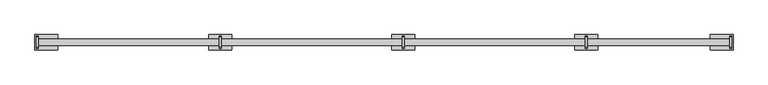
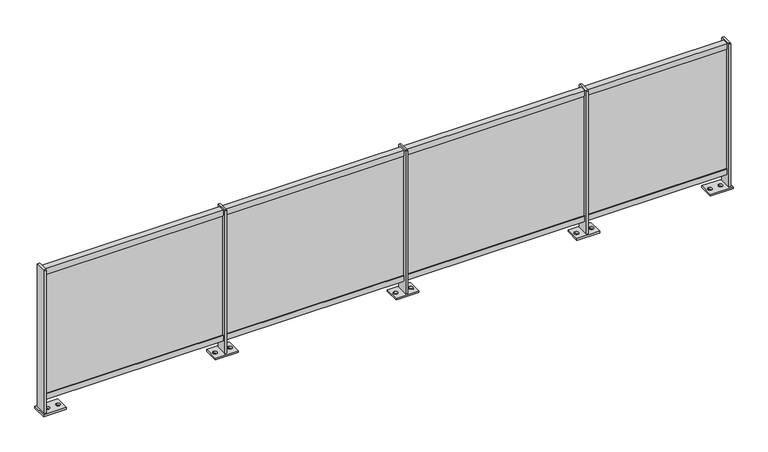
"""IFC4 building model written with IfcOpenShell, lengths in millimetres: railing geometry."""

from ifc_helpers import new_model, si_unit, point, frame, frame_2d, origin, origin_with_axes, place, context, project, spatial, polyline, circle_curve, trimmed, segment, composite_curve, outline, extrude, source, transform, mapped, element, save


def railing_a5e919da(model_context):
    return source(origin(), model_context, "Body", "SweptSolid", [
        extrude(outline(polyline([(-13156.9105687, 1010.0), (-13156.9105687, 970.0), (-13178.4105687, 970.0), (-13178.4105687, 990.0), (-13194.4105687, 990.0), (-13194.4105687, 970.0), (-13196.9105687, 970.0), (-13196.9105687, 1010.0), (-13156.9105687, 1010.0)])), frame((9914.6479588, 0.0, 0.0), z_axis=(1.0, 0.0, 0.0), x_axis=(0.0, 1.0, 0.0)), (0.0, 0.0, 1.0), 4546.0),
        extrude(outline(polyline([(9914.6479588, -13190.9105687), (9914.6479588, -13182.9105687), (14460.6479588, -13182.9105687), (14460.6479588, -13190.9105687), (9914.6479588, -13190.9105687)])), frame((0.0, 0.0, 130.0), z_axis=(0.0, 0.0, 1.0), x_axis=(1.0, 0.0, 0.0)), (0.0, 0.0, 1.0), 840.0),
        extrude(outline(polyline([(-13156.9105687, 90.0), (-13196.9105687, 90.0), (-13196.9105687, 130.0), (-13194.4105687, 130.0), (-13194.4105687, 110.0), (-13178.4105687, 110.0), (-13178.4105687, 130.0), (-13156.9105687, 130.0), (-13156.9105687, 90.0)])), frame((9914.6479588, 0.0, 0.0), z_axis=(1.0, 0.0, 0.0), x_axis=(0.0, 1.0, 0.0)), (0.0, 0.0, 1.0), 4546.0),
        extrude(outline(polyline([(-13136.9105687, 12.0), (-13216.9105687, 12.0), (-13216.9105687, 1015.0), (-13211.9105687, 1020.0), (-13141.9105687, 1020.0), (-13136.9105687, 1015.0), (-13136.9105687, 12.0)])), frame((13508.6479588, 0.0, 0.0), z_axis=(1.0, 0.0, 0.0), x_axis=(0.0, 1.0, 0.0)), (0.0, 0.0, 1.0), 12.0),
        extrude(outline(polyline([(13439.6479588, -13126.9105687), (13589.6479588, -13126.9105687), (13589.6479588, -13226.9105687), (13439.6479588, -13226.9105687), (13439.6479588, -13126.9105687)]), holes=[composite_curve([segment(trimmed(circle_curve(frame_2d((13464.6479588, -13176.9105687)), 13.5), [point((13464.6479588, -13190.4105687))], [point((13464.6479588, -13163.4105687))], True, "CARTESIAN"), True, "CONTINUOUS"), segment(trimmed(circle_curve(frame_2d((13464.6479588, -13176.9105687)), 13.5), [point((13464.6479588, -13163.4105687))], [point((13464.6479588, -13190.4105687))], True, "CARTESIAN"), True, "CONTINUOUS")], self_intersect=False), composite_curve([segment(trimmed(circle_curve(frame_2d((13564.6479588, -13176.9105687)), 13.5), [point((13564.6479588, -13190.4105687))], [point((13564.6479588, -13163.4105687))], True, "CARTESIAN"), True, "CONTINUOUS"), segment(trimmed(circle_curve(frame_2d((13564.6479588, -13176.9105687)), 13.5), [point((13564.6479588, -13163.4105687))], [point((13564.6479588, -13190.4105687))], True, "CARTESIAN"), True, "CONTINUOUS")], self_intersect=False)]), origin_with_axes(), (0.0, 0.0, 1.0), 12.0),
        extrude(outline(polyline([(-13136.9105687, 12.0), (-13216.9105687, 12.0), (-13216.9105687, 1015.0), (-13211.9105687, 1020.0), (-13141.9105687, 1020.0), (-13136.9105687, 1015.0), (-13136.9105687, 12.0)])), frame((12308.6479588, 0.0, 0.0), z_axis=(1.0, 0.0, 0.0), x_axis=(0.0, 1.0, 0.0)), (0.0, 0.0, 1.0), 12.0),
        extrude(outline(polyline([(12239.6479588, -13126.9105687), (12389.6479588, -13126.9105687), (12389.6479588, -13226.9105687), (12239.6479588, -13226.9105687), (12239.6479588, -13126.9105687)]), holes=[composite_curve([segment(trimmed(circle_curve(frame_2d((12264.6479588, -13176.9105687)), 13.5), [point((12264.6479588, -13190.4105687))], [point((12264.6479588, -13163.4105687))], True, "CARTESIAN"), True, "CONTINUOUS"), segment(trimmed(circle_curve(frame_2d((12264.6479588, -13176.9105687)), 13.5), [point((12264.6479588, -13163.4105687))], [point((12264.6479588, -13190.4105687))], True, "CARTESIAN"), True, "CONTINUOUS")], self_intersect=False), composite_curve([segment(trimmed(circle_curve(frame_2d((12364.6479588, -13176.9105687)), 13.5), [point((12364.6479588, -13190.4105687))], [point((12364.6479588, -13163.4105687))], True, "CARTESIAN"), True, "CONTINUOUS"), segment(trimmed(circle_curve(frame_2d((12364.6479588, -13176.9105687)), 13.5), [point((12364.6479588, -13163.4105687))], [point((12364.6479588, -13190.4105687))], True, "CARTESIAN"), True, "CONTINUOUS")], self_intersect=False)]), origin_with_axes(), (0.0, 0.0, 1.0), 12.0),
        extrude(outline(polyline([(-13136.9105687, 12.0), (-13216.9105687, 12.0), (-13216.9105687, 1015.0), (-13211.9105687, 1020.0), (-13141.9105687, 1020.0), (-13136.9105687, 1015.0), (-13136.9105687, 12.0)])), frame((11108.6479588, 0.0, 0.0), z_axis=(1.0, 0.0, 0.0), x_axis=(0.0, 1.0, 0.0)), (0.0, 0.0, 1.0), 12.0),
        extrude(outline(polyline([(11039.6479588, -13126.9105687), (11189.6479588, -13126.9105687), (11189.6479588, -13226.9105687), (11039.6479588, -13226.9105687), (11039.6479588, -13126.9105687)]), holes=[composite_curve([segment(trimmed(circle_curve(frame_2d((11064.6479588, -13176.9105687)), 13.5), [point((11064.6479588, -13190.4105687))], [point((11064.6479588, -13163.4105687))], True, "CARTESIAN"), True, "CONTINUOUS"), segment(trimmed(circle_curve(frame_2d((11064.6479588, -13176.9105687)), 13.5), [point((11064.6479588, -13163.4105687))], [point((11064.6479588, -13190.4105687))], True, "CARTESIAN"), True, "CONTINUOUS")], self_intersect=False), composite_curve([segment(trimmed(circle_curve(frame_2d((11164.6479588, -13176.9105687)), 13.5), [point((11164.6479588, -13190.4105687))], [point((11164.6479588, -13163.4105687))], True, "CARTESIAN"), True, "CONTINUOUS"), segment(trimmed(circle_curve(frame_2d((11164.6479588, -13176.9105687)), 13.5), [point((11164.6479588, -13163.4105687))], [point((11164.6479588, -13190.4105687))], True, "CARTESIAN"), True, "CONTINUOUS")], self_intersect=False)]), origin_with_axes(), (0.0, 0.0, 1.0), 12.0),
        extrude(outline(polyline([(-13136.9105687, 12.0), (-13216.9105687, 12.0), (-13216.9105687, 1015.0), (-13211.9105687, 1020.0), (-13141.9105687, 1020.0), (-13136.9105687, 1015.0), (-13136.9105687, 12.0)])), frame((14454.6479588, 0.0, 0.0), z_axis=(1.0, 0.0, 0.0), x_axis=(0.0, 1.0, 0.0)), (0.0, 0.0, 1.0), 12.0),
        extrude(outline(polyline([(14326.6479588, -13126.9105687), (14476.6479588, -13126.9105687), (14476.6479588, -13226.9105687), (14326.6479588, -13226.9105687), (14326.6479588, -13126.9105687)]), holes=[composite_curve([segment(trimmed(circle_curve(frame_2d((14351.6479588, -13176.9105687)), 13.5), [point((14351.6479588, -13190.4105687))], [point((14351.6479588, -13163.4105687))], True, "CARTESIAN"), True, "CONTINUOUS"), segment(trimmed(circle_curve(frame_2d((14351.6479588, -13176.9105687)), 13.5), [point((14351.6479588, -13163.4105687))], [point((14351.6479588, -13190.4105687))], True, "CARTESIAN"), True, "CONTINUOUS")], self_intersect=False), composite_curve([segment(trimmed(circle_curve(frame_2d((14421.6479588, -13176.9105687)), 13.5), [point((14421.6479588, -13190.4105687))], [point((14421.6479588, -13163.4105687))], True, "CARTESIAN"), True, "CONTINUOUS"), segment(trimmed(circle_curve(frame_2d((14421.6479588, -13176.9105687)), 13.5), [point((14421.6479588, -13163.4105687))], [point((14421.6479588, -13190.4105687))], True, "CARTESIAN"), True, "CONTINUOUS")], self_intersect=False)]), origin_with_axes(), (0.0, 0.0, 1.0), 12.0),
        extrude(outline(polyline([(-13136.9105687, 12.0), (-13216.9105687, 12.0), (-13216.9105687, 1015.0), (-13211.9105687, 1020.0), (-13141.9105687, 1020.0), (-13136.9105687, 1015.0), (-13136.9105687, 12.0)])), frame((9908.6479588, 0.0, 0.0), z_axis=(1.0, 0.0, 0.0), x_axis=(0.0, 1.0, 0.0)), (0.0, 0.0, 1.0), 12.0),
        extrude(outline(polyline([(9898.6479588, -13126.9105687), (10048.6479588, -13126.9105687), (10048.6479588, -13226.9105687), (9898.6479588, -13226.9105687), (9898.6479588, -13126.9105687)]), holes=[composite_curve([segment(trimmed(circle_curve(frame_2d((9953.6479588, -13176.9105687)), 13.5), [point((9953.6479588, -13190.4105687))], [point((9953.6479588, -13163.4105687))], True, "CARTESIAN"), True, "CONTINUOUS"), segment(trimmed(circle_curve(frame_2d((9953.6479588, -13176.9105687)), 13.5), [point((9953.6479588, -13163.4105687))], [point((9953.6479588, -13190.4105687))], True, "CARTESIAN"), True, "CONTINUOUS")], self_intersect=False), composite_curve([segment(trimmed(circle_curve(frame_2d((10023.6479588, -13176.9105687)), 13.5), [point((10023.6479588, -13190.4105687))], [point((10023.6479588, -13163.4105687))], True, "CARTESIAN"), True, "CONTINUOUS"), segment(trimmed(circle_curve(frame_2d((10023.6479588, -13176.9105687)), 13.5), [point((10023.6479588, -13163.4105687))], [point((10023.6479588, -13190.4105687))], True, "CARTESIAN"), True, "CONTINUOUS")], self_intersect=False)]), origin_with_axes(), (0.0, 0.0, 1.0), 12.0),
    ])


if __name__ == "__main__":
    model = new_model("IFC4")
    model_context = context("Model", 3, world=origin())
    ifc_project = project(units=[si_unit("LENGTHUNIT", "METRE", prefix="MILLI")], contexts=[model_context])
    site = spatial("IfcSite", under=ifc_project)
    building = spatial("IfcBuilding", under=site)
    placement = place(None, origin())
    railing_shape = railing_a5e919da(model_context)
    element("IfcRailing", 1, at=placement, inside=building, context=model_context, shape_type="MappedRepresentation", body=[
        mapped(railing_shape, transform((0.0, 0.0, 0.0), x_axis=(1.0, 0.0, 0.0), y_axis=(0.0, 1.0, 0.0), z_axis=(0.0, 0.0, 1.0))),
    ])
    save(model, "model.ifc")
